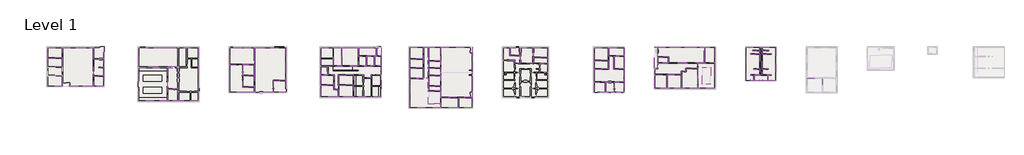
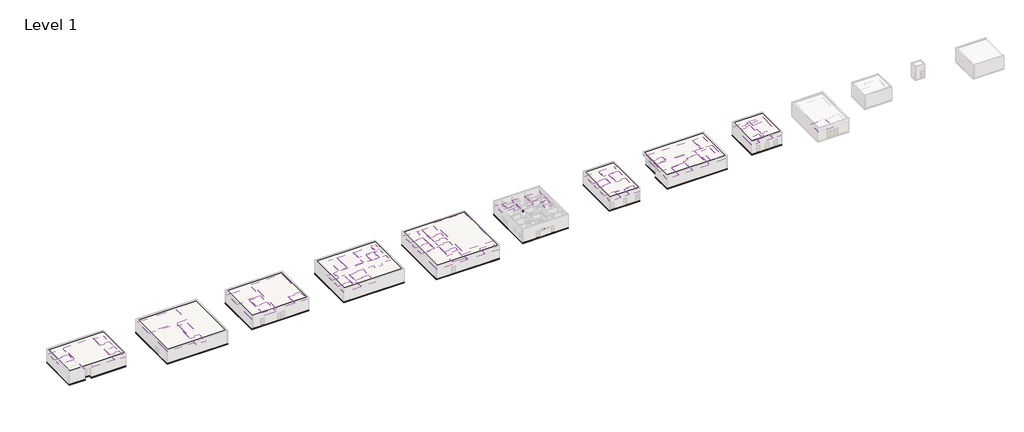
# One storey, part 10 of 51: 71 coverings, 25 slabs.
"""IFC4 building model written with IfcOpenShell, lengths in millimetres."""

import ifcopenshell
import ifcopenshell.guid

model = None  # the IFC model being written
_history = None  # IfcOwnerHistory: only IFC2X3 demands one
_inside = {}  # id of a spatial element -> (the spatial element, [elements in it])
_under = {}  # id of a project, library or spatial element -> (it, [spatial elements below it])
_declared = {}  # id of a project -> (the project, [libraries it declares])
_typed = {}  # id of a type object -> (the type object, [elements of that type])
_made_of = {}  # id of a material, layer set ... -> (it, [elements and type objects made of it])


def new_model(schema):
    """Start an empty IFC model of exactly this schema.

    Asked for "IFC4X3", IfcOpenShell would pick the latest addendum, in which some entities
    have other attributes; the version numbers below select the first issue.
    IFC2X3 requires an IfcOwnerHistory on every rooted entity: one is made here for all.
    """
    global model, _history
    if schema == "IFC4X3":
        model = ifcopenshell.file(schema_version=(4, 3, 0, 0))
    else:
        model = ifcopenshell.file(schema=schema)
    _inside.clear()
    _under.clear()
    _declared.clear()
    _typed.clear()
    _made_of.clear()
    _history = None
    if model.schema == "IFC2X3":
        org = make("IfcOrganization", Name="unknown")
        user = make(
            "IfcPersonAndOrganization",
            ThePerson=make("IfcPerson", FamilyName="unknown"),
            TheOrganization=org,
        )
        app = make(
            "IfcApplication",
            ApplicationDeveloper=org,
            Version="unknown",
            ApplicationFullName="unknown",
            ApplicationIdentifier="unknown",
        )
        _history = make(
            "IfcOwnerHistory",
            OwningUser=user,
            OwningApplication=app,
            ChangeAction="ADDED",
            CreationDate=0,
        )
    return model


def make(cls, **values):
    """One entity of the class cls with the attributes given. An attribute that is None is left unset."""
    return model.create_entity(
        cls, **{name: value for name, value in values.items() if value is not None}
    )


def rooted(cls, **values):
    """An entity with a GlobalId (a new one), such as an element, a storey or a relation."""
    return make(cls, GlobalId=ifcopenshell.guid.new(), OwnerHistory=_history, **values)


def si_unit(unit_type, name, prefix=None):
    """IfcSIUnit, for example si_unit("LENGTHUNIT", "METRE", prefix="MILLI")."""
    return make("IfcSIUnit", UnitType=unit_type, Prefix=prefix, Name=name)


def assignment(units):
    """IfcUnitAssignment: the units of a project."""
    return None if units is None else make("IfcUnitAssignment", Units=units)


def point(xyz):
    """IfcCartesianPoint."""
    return None if xyz is None else make("IfcCartesianPoint", Coordinates=xyz)


def direction(xyz):
    """IfcDirection."""
    return None if xyz is None else make("IfcDirection", DirectionRatios=xyz)


def frame(location, z_axis=None, x_axis=None):
    """IfcAxis2Placement3D, a coordinate frame: its origin and axes. An axis left out is left unset."""
    return make(
        "IfcAxis2Placement3D",
        Location=point(location),
        Axis=direction(z_axis),
        RefDirection=direction(x_axis),
    )


def origin():
    """The frame at (0, 0, 0) with its axes left unset."""
    return frame((0.0, 0.0, 0.0))


def origin_with_axes():
    """The frame at (0, 0, 0) with the z axis (0, 0, 1) and the x axis (1, 0, 0) written out."""
    return frame((0.0, 0.0, 0.0), z_axis=(0.0, 0.0, 1.0), x_axis=(1.0, 0.0, 0.0))


def place(relative_to, where):
    """IfcLocalPlacement: puts the frame where relative to a parent placement (None: the world)."""
    return make(
        "IfcLocalPlacement", PlacementRelTo=relative_to, RelativePlacement=where
    )


def context(
    kind, dimensions, precision=None, world=None, true_north=None, identifier=None
):
    """IfcGeometricRepresentationContext, for example the 3D "Model" context."""
    return make(
        "IfcGeometricRepresentationContext",
        ContextIdentifier=identifier,
        ContextType=kind,
        CoordinateSpaceDimension=dimensions,
        Precision=precision,
        WorldCoordinateSystem=world,
        TrueNorth=true_north,
    )


def project(units=None, contexts=None):
    """IfcProject with its units and contexts."""
    return rooted(
        "IfcProject",
        Name="project",
        RepresentationContexts=contexts,
        UnitsInContext=assignment(units),
    )


def spatial(cls, under=None, at=None, **own):
    """A site, building, storey or space (cls), placed at a placement, below another one or the project."""
    s = rooted(cls, ObjectPlacement=at, **own)
    if under is not None:
        _under.setdefault(under.id(), (under, []))[1].append(s)
    return s


def polyline(points):
    """IfcPolyline through the points."""
    return make("IfcPolyline", Points=[point(p) for p in points])


def outline(outer, holes=None, kind="AREA"):
    """IfcArbitraryClosedProfileDef: a profile drawn as a closed curve; with holes, ...WithVoids."""
    if holes is None:
        return make("IfcArbitraryClosedProfileDef", ProfileType=kind, OuterCurve=outer)
    return make(
        "IfcArbitraryProfileDefWithVoids",
        ProfileType=kind,
        OuterCurve=outer,
        InnerCurves=holes,
    )


def extrude(swept, where, along, depth):
    """IfcExtrudedAreaSolid: the profile swept, set in the frame where, extruded along a direction by depth."""
    return make(
        "IfcExtrudedAreaSolid",
        SweptArea=swept,
        Position=where,
        ExtrudedDirection=direction(along),
        Depth=depth,
    )


def shape(context_of_items, identifier, shape_type, items):
    """IfcShapeRepresentation: the items that make up one representation, for example the "Body"."""
    return make(
        "IfcShapeRepresentation",
        ContextOfItems=context_of_items,
        RepresentationIdentifier=identifier,
        RepresentationType=shape_type,
        Items=items,
    )


def made_of(thing, what):
    """Note that an element or type object is made of a material, layer set ...; save() writes the relation."""
    if what is not None:
        _made_of.setdefault(what.id(), (what, []))[1].append(thing)
    return thing


def element(
    cls,
    number,
    at=None,
    inside=None,
    cuts=None,
    type_object=None,
    material=None,
    context=None,
    identifier="Body",
    shape_type=None,
    held_by="IfcProductDefinitionShape",
    body=None,
    shapes=None,
    **own,
):
    """One element of the class cls, such as IfcWall. Its Tag is "e" and its number.

    at: its placement. inside: the storey or other place that contains it. cuts: it is an
    opening in that element (IfcRelVoidsElement). A single representation is given by context,
    identifier, shape_type and body (its items); several are given by shapes. held_by: the class
    of the entity that holds the representations. save() writes the other relations.
    """
    e = rooted(cls, Tag="e%d" % number, ObjectPlacement=at, **own)
    if body is not None:
        shapes = [shape(context, identifier, shape_type, body)]
    if shapes is not None:
        e.Representation = make(held_by, Representations=shapes)
    if inside is not None:
        _inside.setdefault(inside.id(), (inside, []))[1].append(e)
    if cuts is not None:
        rooted(
            "IfcRelVoidsElement", RelatingBuildingElement=cuts, RelatedOpeningElement=e
        )
    if type_object is not None:
        _typed.setdefault(type_object.id(), (type_object, []))[1].append(e)
    return made_of(e, material)


def aggregate(whole, parts):
    """IfcRelAggregates: a whole, such as a stair, and the parts it consists of."""
    return rooted("IfcRelAggregates", RelatingObject=whole, RelatedObjects=parts)


def save(model, path):
    """Write the relations noted so far, then the file.

    IfcRelAggregates (storeys below a building ...), IfcRelContainedInSpatialStructure (elements
    in a storey), IfcRelDefinesByType, IfcRelAssociatesMaterial and IfcRelDeclares: one each for
    every whole, place, type object, material and project.
    """
    for whole, parts in _under.values():
        aggregate(whole, parts)
    for where, things in _inside.values():
        rooted(
            "IfcRelContainedInSpatialStructure",
            RelatedElements=things,
            RelatingStructure=where,
        )
    for kind, things in _typed.values():
        rooted("IfcRelDefinesByType", RelatedObjects=things, RelatingType=kind)
    for what, things in _made_of.values():
        rooted("IfcRelAssociatesMaterial", RelatedObjects=things, RelatingMaterial=what)
    for by, libraries in _declared.values():
        rooted("IfcRelDeclares", RelatingContext=by, RelatedDefinitions=libraries)
    model.write(path)


model = new_model("IFC4")

# Units and contexts
model_context = context("Model", 3, world=origin())
ifc_project = project(units=[si_unit("LENGTHUNIT", "METRE", prefix="MILLI")], contexts=[model_context])

# Site, building, storey
site = spatial("IfcSite", under=ifc_project)
building = spatial("IfcBuilding", under=site)
storey = spatial("IfcBuildingStorey", under=building, Name="Level 1", Elevation=0.0)

# Coverings
placement = place(None, origin())
element("IfcCovering", 1, ObjectType="5/8\" GWB on Mtl. Stud", at=placement, inside=storey, context=model_context, shape_type="SweptSolid", body=[
    extrude(outline(polyline([(-2289.075187, -15032.6551669), (-14080.646516, -15032.6551669), (-14080.646516, -9231.9301669), (-2289.075187, -9231.9301669), (-2289.075187, -15032.6551669)])), frame((0.0, 0.0, 3505.2), z_axis=(0.0, 0.0, 1.0), x_axis=(1.0, 0.0, 0.0)), (0.0, 0.0, 1.0), 107.95),
])
element("IfcCovering", 2, ObjectType="5/8\" GWB on Mtl. Stud", at=placement, inside=storey, context=model_context, shape_type="SweptSolid", body=[
    extrude(outline(polyline([(-5546.246516, -25233.9301669), (-14080.646516, -25233.9301669), (-14080.646516, -15226.3301669), (-5546.246516, -15226.3301669), (-5546.246516, -25233.9301669)])), frame((0.0, 0.0, 3505.2), z_axis=(0.0, 0.0, 1.0), x_axis=(1.0, 0.0, 0.0)), (0.0, 0.0, 1.0), 107.95),
])
element("IfcCovering", 3, ObjectType="5/8\" GWB on Mtl. Stud", at=placement, inside=storey, context=model_context, shape_type="SweptSolid", body=[
    extrude(outline(polyline([(-2289.075187, -15226.3301669), (-2289.075187, -21622.3676669), (-5352.571516, -21622.3676669), (-5352.571516, -15226.3301669), (-2289.075187, -15226.3301669)])), frame((0.0, 0.0, 2743.2), z_axis=(0.0, 0.0, 1.0), x_axis=(1.0, 0.0, 0.0)), (0.0, 0.0, 1.0), 107.95),
])
element("IfcCovering", 4, ObjectType="5/8\" GWB on Mtl. Stud", at=placement, inside=storey, context=model_context, shape_type="SweptSolid", body=[
    extrude(outline(polyline([(-2289.075187, -25233.9301669), (-5352.571516, -25233.9301669), (-5352.571516, -21816.0426669), (-2289.075187, -21816.0426669), (-2289.075187, -25233.9301669)])), frame((0.0, 0.0, 2743.2), z_axis=(0.0, 0.0, 1.0), x_axis=(1.0, 0.0, 0.0)), (0.0, 0.0, 1.0), 107.95),
])
element("IfcCovering", 5, ObjectType="5/8\" GWB on Mtl. Stud", at=placement, inside=storey, context=model_context, shape_type="SweptSolid", body=[
    extrude(outline(polyline([(159350.553484, -13927.7551669), (159350.553484, -21423.9301669), (154267.378484, -21423.9301669), (154267.378484, -13927.7551669), (159350.553484, -13927.7551669)]), holes=[polyline([(158007.528484, -20080.9051669), (158007.528484, -15270.7801669), (155610.403484, -15270.7801669), (155610.403484, -20080.9051669), (158007.528484, -20080.9051669)])]), frame((0.0, 0.0, 3048.0), z_axis=(0.0, 0.0, 1.0), x_axis=(1.0, 0.0, 0.0)), (0.0, 0.0, 1.0), 107.95),
])
element("IfcCovering", 6, ObjectType="SFO 2'x2\" Ceiling Tile", at=placement, inside=storey, context=model_context, shape_type="SweptSolid", body=[
    extrude(outline(polyline([(-41512.646516, -14950.1051669), (-41512.646516, -12457.7301669), (-37016.846516, -12457.7301669), (-37016.846516, -14950.1051669), (-41512.646516, -14950.1051669)])), frame((0.0, 0.0, 2743.2), z_axis=(0.0, 0.0, 1.0), x_axis=(1.0, 0.0, 0.0)), (0.0, 0.0, 1.0), 57.15),
])
element("IfcCovering", 7, ObjectType="SFO 2'x2\" Ceiling Tile", at=placement, inside=storey, context=model_context, shape_type="SweptSolid", body=[
    extrude(outline(polyline([(-27771.246516, -20814.3301669), (-36893.021516, -20814.3301669), (-36893.021516, -9231.9301669), (-27771.246516, -9231.9301669), (-27771.246516, -20814.3301669)])), frame((0.0, 0.0, 3048.0), z_axis=(0.0, 0.0, 1.0), x_axis=(1.0, 0.0, 0.0)), (0.0, 0.0, 1.0), 57.15),
])
element("IfcCovering", 8, ObjectType="SFO 2'x2\" Ceiling Tile", at=placement, inside=storey, context=model_context, shape_type="SweptSolid", body=[
    extrude(outline(polyline([(-27647.421516, -12624.4176669), (-27647.421516, -9231.9301669), (-24599.421516, -9231.9301669), (-24599.421516, -12624.4176669), (-27647.421516, -12624.4176669)])), frame((0.0, 0.0, 2743.2), z_axis=(0.0, 0.0, 1.0), x_axis=(1.0, 0.0, 0.0)), (0.0, 0.0, 1.0), 57.15),
])
element("IfcCovering", 9, ObjectType="SFO 2'x2\" Ceiling Tile", at=placement, inside=storey, context=model_context, shape_type="SweptSolid", body=[
    extrude(outline(polyline([(13351.353484, -9231.9301669), (20757.040984, -9231.9301669), (20757.040984, -14245.2551669), (13351.353484, -14245.2551669), (13351.353484, -9231.9301669)])), frame((0.0, 0.0, 2743.2), z_axis=(0.0, 0.0, 1.0), x_axis=(1.0, 0.0, 0.0)), (0.0, 0.0, 1.0), 57.15),
])
element("IfcCovering", 10, ObjectType="SFO 2'x2\" Ceiling Tile", at=placement, inside=storey, context=model_context, shape_type="SweptSolid", body=[
    extrude(outline(polyline([(20880.865984, -22733.6176669), (20880.865984, -9231.9301669), (30229.653484, -9231.9301669), (30229.653484, -19045.1748098), (26368.853484, -19045.1748098), (26368.853484, -22733.6176669), (20880.865984, -22733.6176669)])), frame((0.0, 0.0, 3505.2), z_axis=(0.0, 0.0, 1.0), x_axis=(1.0, 0.0, 0.0)), (0.0, 0.0, 1.0), 57.15),
])
element("IfcCovering", 11, ObjectType="SFO 2'x2\" Ceiling Tile", at=placement, inside=storey, context=model_context, shape_type="SweptSolid", body=[
    extrude(outline(polyline([(17299.465984, -14369.0801669), (20757.040984, -14369.0801669), (20757.040984, -17598.0551669), (17299.465984, -17598.0551669), (17299.465984, -14369.0801669)])), frame((0.0, 0.0, 2743.2), z_axis=(0.0, 0.0, 1.0), x_axis=(1.0, 0.0, 0.0)), (0.0, 0.0, 1.0), 57.15),
])
element("IfcCovering", 12, ObjectType="SFO 2'x2\" Ceiling Tile", at=placement, inside=storey, context=model_context, shape_type="SweptSolid", body=[
    extrude(outline(polyline([(13351.353484, -22733.6176669), (13351.353484, -14369.0801669), (17175.640984, -14369.0801669), (17175.640984, -21079.4426669), (20757.040984, -21079.4426669), (20757.040984, -22733.6176669), (13351.353484, -22733.6176669)])), frame((0.0, 0.0, 2743.2), z_axis=(0.0, 0.0, 1.0), x_axis=(1.0, 0.0, 0.0)), (0.0, 0.0, 1.0), 57.15),
])
element("IfcCovering", 13, ObjectType="SFO 2'x2\" Ceiling Tile", at=placement, inside=storey, context=model_context, shape_type="SweptSolid", body=[
    extrude(outline(polyline([(67441.2021392, -18550.5551669), (73117.553484, -18550.5551669), (73117.553484, -26061.0176669), (76775.153484, -26061.0176669), (76775.153484, -27305.6176669), (67441.2021392, -27305.6176669), (67441.2021392, -18550.5551669)])), frame((0.0, 0.0, 2743.2), z_axis=(0.0, 0.0, 1.0), x_axis=(1.0, 0.0, 0.0)), (0.0, 0.0, 1.0), 57.15),
])
element("IfcCovering", 14, ObjectType="SFO 2'x2\" Ceiling Tile", at=placement, inside=storey, context=model_context, shape_type="SweptSolid", body=[
    extrude(outline(polyline([(67441.2021392, -15356.5051669), (67441.2021392, -12686.3301669), (71618.953484, -12686.3301669), (71618.953484, -15356.5051669), (67441.2021392, -15356.5051669)])), frame((0.0, 0.0, 2743.2), z_axis=(0.0, 0.0, 1.0), x_axis=(1.0, 0.0, 0.0)), (0.0, 0.0, 1.0), 57.15),
])
element("IfcCovering", 15, ObjectType="SFO 2'x2\" Ceiling Tile", at=placement, inside=storey, context=model_context, shape_type="SweptSolid", body=[
    extrude(outline(polyline([(67441.2021392, -18490.6510436), (67441.2021392, -15480.3301669), (71618.953484, -15480.3301669), (71618.953484, -18490.6510436), (67441.2021392, -18490.6510436)])), frame((0.0, 0.0, 2743.2), z_axis=(0.0, 0.0, 1.0), x_axis=(1.0, 0.0, 0.0)), (0.0, 0.0, 1.0), 57.15),
])
element("IfcCovering", 16, ObjectType="SFO 2'x2\" Ceiling Tile", at=placement, inside=storey, context=model_context, shape_type="SweptSolid", body=[
    extrude(outline(polyline([(76775.153484, -17639.3301669), (76775.153484, -20715.9051669), (73241.378484, -20715.9051669), (73241.378484, -17639.3301669), (76775.153484, -17639.3301669)])), frame((0.0, 0.0, 2743.2), z_axis=(0.0, 0.0, 1.0), x_axis=(1.0, 0.0, 0.0)), (0.0, 0.0, 1.0), 57.15),
])
element("IfcCovering", 17, ObjectType="SFO 2'x2\" Ceiling Tile", at=placement, inside=storey, context=model_context, shape_type="SweptSolid", body=[
    extrude(outline(polyline([(76775.153484, -15480.3301669), (76775.153484, -17515.5051669), (73241.378484, -17515.5051669), (73241.378484, -15480.3301669), (76775.153484, -15480.3301669)])), frame((0.0, 0.0, 2743.2), z_axis=(0.0, 0.0, 1.0), x_axis=(1.0, 0.0, 0.0)), (0.0, 0.0, 1.0), 57.15),
])
element("IfcCovering", 18, ObjectType="SFO 2'x2\" Ceiling Tile", at=placement, inside=storey, context=model_context, shape_type="SweptSolid", body=[
    extrude(outline(polyline([(76775.153484, -13321.3301669), (76775.153484, -15356.5051669), (73241.378484, -15356.5051669), (73241.378484, -13321.3301669), (76775.153484, -13321.3301669)])), frame((0.0, 0.0, 2743.2), z_axis=(0.0, 0.0, 1.0), x_axis=(1.0, 0.0, 0.0)), (0.0, 0.0, 1.0), 57.15),
])
element("IfcCovering", 19, ObjectType="SFO 2'x2\" Ceiling Tile", at=placement, inside=storey, context=model_context, shape_type="SweptSolid", body=[
    extrude(outline(polyline([(73241.378484, -9141.4426669), (76775.153484, -9141.4426669), (76775.153484, -13197.5051669), (73241.378484, -13197.5051669), (73241.378484, -9141.4426669)])), frame((0.0, 0.0, 2743.2), z_axis=(0.0, 0.0, 1.0), x_axis=(1.0, 0.0, 0.0)), (0.0, 0.0, 1.0), 57.15),
])
element("IfcCovering", 20, ObjectType="SFO 2'x2\" Ceiling Tile", at=placement, inside=storey, context=model_context, shape_type="SweptSolid", body=[
    extrude(outline(polyline([(67441.2021392, -9141.4426669), (71618.953484, -9141.4426669), (71618.953484, -12562.5051669), (67441.2021392, -12562.5051669), (67441.2021392, -9141.4426669)])), frame((0.0, 0.0, 2743.2), z_axis=(0.0, 0.0, 1.0), x_axis=(1.0, 0.0, 0.0)), (0.0, 0.0, 1.0), 57.15),
])
element("IfcCovering", 21, ObjectType="SFO 2'x2\" Ceiling Tile", at=placement, inside=storey, context=model_context, shape_type="SweptSolid", body=[
    extrude(outline(polyline([(76898.978484, -24221.1051669), (76898.978484, -9141.4426669), (86289.040984, -9141.4426669), (86289.040984, -24221.1051669), (76898.978484, -24221.1051669)])), frame((0.0, 0.0, 3657.6), z_axis=(0.0, 0.0, 1.0), x_axis=(1.0, 0.0, 0.0)), (0.0, 0.0, 1.0), 57.15),
])
element("IfcCovering", 22, ObjectType="SFO 2'x2\" Ceiling Tile", at=placement, inside=storey, context=model_context, shape_type="SweptSolid", body=[
    extrude(outline(polyline([(86289.040984, -27305.6176669), (82196.465984, -27305.6176669), (82196.465984, -24344.9301669), (86289.040984, -24344.9301669), (86289.040984, -27305.6176669)])), frame((0.0, 0.0, 2743.2), z_axis=(0.0, 0.0, 1.0), x_axis=(1.0, 0.0, 0.0)), (0.0, 0.0, 1.0), 57.15),
])
element("IfcCovering", 23, ObjectType="SFO 2'x2\" Ceiling Tile", at=placement, inside=storey, context=model_context, shape_type="SweptSolid", body=[
    extrude(outline(polyline([(82072.640984, -27305.6176669), (76898.978484, -27305.6176669), (76898.978484, -24344.9301669), (82072.640984, -24344.9301669), (82072.640984, -27305.6176669)])), frame((0.0, 0.0, 2743.2), z_axis=(0.0, 0.0, 1.0), x_axis=(1.0, 0.0, 0.0)), (0.0, 0.0, 1.0), 57.15),
])
element("IfcCovering", 24, ObjectType="SFO 2'x2\" Ceiling Tile", at=placement, inside=storey, context=model_context, shape_type="SweptSolid", body=[
    extrude(outline(polyline([(187087.353484, -22733.6176669), (187087.353484, -18398.1551669), (191687.928484, -18398.1551669), (191687.928484, -22733.6176669), (187087.353484, -22733.6176669)])), frame((0.0, 0.0, 2743.2), z_axis=(0.0, 0.0, 1.0), x_axis=(1.0, 0.0, 0.0)), (0.0, 0.0, 1.0), 57.15),
])
element("IfcCovering", 25, ObjectType="SFO 2'x2\" Ceiling Tile", at=placement, inside=storey, context=model_context, shape_type="SweptSolid", body=[
    extrude(outline(polyline([(-41512.646516, -12333.9051669), (-41512.646516, -9231.9301669), (-37016.846516, -9231.9301669), (-37016.846516, -12333.9051669), (-41512.646516, -12333.9051669)])), frame((0.0, 0.0, 2743.2), z_axis=(0.0, 0.0, 1.0), x_axis=(1.0, 0.0, 0.0)), (0.0, 0.0, 1.0), 57.15),
])
element("IfcCovering", 26, ObjectType="SFO 2'x2\" Ceiling Tile", at=placement, inside=storey, context=model_context, shape_type="SweptSolid", body=[
    extrude(outline(polyline([(71742.778484, -9141.4426669), (73117.553484, -9141.4426669), (73117.553484, -18426.7301669), (71742.778484, -18426.7301669), (71742.778484, -9141.4426669)])), frame((0.0, 0.0, 2743.2), z_axis=(0.0, 0.0, 1.0), x_axis=(1.0, 0.0, 0.0)), (0.0, 0.0, 1.0), 57.15),
])
element("IfcCovering", 27, ObjectType="SFO 2'x2\" Ceiling Tile", at=placement, inside=storey, context=model_context, shape_type="SweptSolid", body=[
    extrude(outline(polyline([(30229.653484, -19168.9998098), (30229.653484, -22733.6176669), (26492.678484, -22733.6176669), (26492.678484, -19168.9998098), (30229.653484, -19168.9998098)])), frame((0.0, 0.0, 3505.2), z_axis=(0.0, 0.0, 1.0), x_axis=(1.0, 0.0, 0.0)), (0.0, 0.0, 1.0), 57.15),
])
element("IfcCovering", 28, ObjectType="SFO 2'x2\" Ceiling Tile", at=placement, inside=storey, context=model_context, shape_type="SweptSolid", body=[
    extrude(outline(polyline([(20757.040984, -17721.8801669), (20757.040984, -20955.6176669), (17299.465984, -20955.6176669), (17299.465984, -17721.8801669), (20757.040984, -17721.8801669)])), frame((0.0, 0.0, 2743.2), z_axis=(0.0, 0.0, 1.0), x_axis=(1.0, 0.0, 0.0)), (0.0, 0.0, 1.0), 57.15),
])
element("IfcCovering", 29, ObjectType="SFO 2'x2\" Ceiling Tile", at=placement, inside=storey, context=model_context, shape_type="SweptSolid", body=[
    extrude(outline(polyline([(76775.153484, -20839.7301669), (76775.153484, -22276.4176669), (73241.378484, -22276.4176669), (73241.378484, -20839.7301669), (76775.153484, -20839.7301669)])), frame((0.0, 0.0, 2743.2), z_axis=(0.0, 0.0, 1.0), x_axis=(1.0, 0.0, 0.0)), (0.0, 0.0, 1.0), 57.15),
])
element("IfcCovering", 30, ObjectType="SFO 2'x2\" Ceiling Tile", at=placement, inside=storey, context=model_context, shape_type="SweptSolid", body=[
    extrude(outline(polyline([(123079.353484, -19533.2176669), (123079.353484, -15666.1105846), (127433.865984, -15666.1105846), (127433.865984, -11802.0926669), (128899.128484, -11802.0926669), (128899.128484, -15666.1105846), (132009.040984, -15666.1105846), (132009.040984, -19533.2176669), (123079.353484, -19533.2176669)])), frame((0.0, 0.0, 2743.2), z_axis=(0.0, 0.0, 1.0), x_axis=(1.0, 0.0, 0.0)), (0.0, 0.0, 1.0), 57.15),
])
element("IfcCovering", 31, ObjectType="SFO 2'x2\" Ceiling Tile", at=placement, inside=storey, context=model_context, shape_type="SweptSolid", body=[
    extrude(outline(polyline([(154143.553484, -15575.5801669), (154143.553484, -21423.9301669), (149335.015984, -21423.9301669), (149335.015984, -16489.9801669), (150762.178484, -16489.9801669), (150762.178484, -15575.5801669), (154143.553484, -15575.5801669)])), frame((0.0, 0.0, 2743.2), z_axis=(0.0, 0.0, 1.0), x_axis=(1.0, 0.0, 0.0)), (0.0, 0.0, 1.0), 57.15),
])
element("IfcCovering", 32, ObjectType="SFO 2'x2\" Ceiling Tile", at=placement, inside=storey, context=model_context, shape_type="SweptSolid", body=[
    extrude(outline(polyline([(149211.190984, -17348.8176669), (149211.190984, -21423.9301669), (145058.290984, -21423.9301669), (145058.290984, -17348.8176669), (149211.190984, -17348.8176669)])), frame((0.0, 0.0, 2743.2), z_axis=(0.0, 0.0, 1.0), x_axis=(1.0, 0.0, 0.0)), (0.0, 0.0, 1.0), 57.15),
])
element("IfcCovering", 33, ObjectType="SFO 2'x2\" Ceiling Tile", at=placement, inside=storey, context=model_context, shape_type="SweptSolid", body=[
    extrude(outline(polyline([(141276.865984, -21423.9301669), (141276.865984, -17348.8176669), (142028.0353499, -17348.8176669), (144934.465984, -17348.8176669), (144934.465984, -21423.9301669), (141276.865984, -21423.9301669)])), frame((0.0, 0.0, 2743.2), z_axis=(0.0, 0.0, 1.0), x_axis=(1.0, 0.0, 0.0)), (0.0, 0.0, 1.0), 57.15),
])
element("IfcCovering", 34, ObjectType="SFO 2'x2\" Ceiling Tile", at=placement, inside=storey, context=model_context, shape_type="SweptSolid", body=[
    extrude(outline(polyline([(156302.553484, -9141.4426669), (159350.553484, -9141.4426669), (159350.553484, -13803.9301669), (156302.553484, -13803.9301669), (156302.553484, -9141.4426669)])), frame((0.0, 0.0, 2743.2), z_axis=(0.0, 0.0, 1.0), x_axis=(1.0, 0.0, 0.0)), (0.0, 0.0, 1.0), 57.15),
])
element("IfcCovering", 35, ObjectType="SFO 2'x2\" Ceiling Tile", at=placement, inside=storey, context=model_context, shape_type="SweptSolid", body=[
    extrude(outline(polyline([(-27647.421516, -12748.2426669), (-24599.421516, -12748.2426669), (-24599.421516, -15088.2176669), (-26125.009016, -15088.2176669), (-26125.009016, -15212.0426669), (-24599.421516, -15212.0426669), (-24599.421516, -17653.6176669), (-27647.421516, -17653.6176669), (-27647.421516, -12748.2426669)])), frame((0.0, 0.0, 2743.2), z_axis=(0.0, 0.0, 1.0), x_axis=(1.0, 0.0, 0.0)), (0.0, 0.0, 1.0), 57.15),
])
element("IfcCovering", 36, ObjectType="SFO 2'x2\" Ceiling Tile", at=placement, inside=storey, context=model_context, shape_type="SweptSolid", body=[
    extrude(outline(polyline([(-24599.421516, -20814.3301669), (-27647.421516, -20814.3301669), (-27647.421516, -17777.4426669), (-24599.421516, -17777.4426669), (-24599.421516, -20814.3301669)])), frame((0.0, 0.0, 2743.2), z_axis=(0.0, 0.0, 1.0), x_axis=(1.0, 0.0, 0.0)), (0.0, 0.0, 1.0), 57.15),
])
element("IfcCovering", 37, ObjectType="SFO 2'x2\" Ceiling Tile", at=placement, inside=storey, context=model_context, shape_type="SweptSolid", body=[
    extrude(outline(polyline([(46142.753484, -20385.7051669), (46142.753484, -17528.2051669), (50470.278484, -17528.2051669), (50470.278484, -20385.7051669), (46142.753484, -20385.7051669)])), frame((0.0, 0.0, 2743.2), z_axis=(0.0, 0.0, 1.0), x_axis=(1.0, 0.0, 0.0)), (0.0, 0.0, 1.0), 57.15),
])
element("IfcCovering", 38, ObjectType="SFO 2'x2\" Ceiling Tile", at=placement, inside=storey, context=model_context, shape_type="SweptSolid", body=[
    extrude(outline(polyline([(50470.278484, -24040.1301669), (46142.753484, -24040.1301669), (46142.753484, -20509.5301669), (50470.278484, -20509.5301669), (50470.278484, -24040.1301669)])), frame((0.0, 0.0, 2743.2), z_axis=(0.0, 0.0, 1.0), x_axis=(1.0, 0.0, 0.0)), (0.0, 0.0, 1.0), 57.15),
])
element("IfcCovering", 39, ObjectType="SFO 2'x2\" Ceiling Tile", at=placement, inside=storey, context=model_context, shape_type="SweptSolid", body=[
    extrude(outline(polyline([(46018.928484, -24040.1301669), (40783.353484, -24040.1301669), (40783.353484, -20509.5301669), (44672.728484, -20509.5301669), (44672.728484, -21931.9301669), (46018.928484, -21931.9301669), (46018.928484, -24040.1301669)])), frame((0.0, 0.0, 2743.2), z_axis=(0.0, 0.0, 1.0), x_axis=(1.0, 0.0, 0.0)), (0.0, 0.0, 1.0), 57.15),
])
element("IfcCovering", 40, ObjectType="SFO 2'x2\" Ceiling Tile", at=placement, inside=storey, context=model_context, shape_type="SweptSolid", body=[
    extrude(outline(polyline([(40783.353484, -20385.7051669), (40783.353484, -17528.2051669), (44672.728484, -17528.2051669), (44672.728484, -20385.7051669), (40783.353484, -20385.7051669)])), frame((0.0, 0.0, 2743.2), z_axis=(0.0, 0.0, 1.0), x_axis=(1.0, 0.0, 0.0)), (0.0, 0.0, 1.0), 57.15),
])
element("IfcCovering", 41, ObjectType="SFO 2'x2\" Ceiling Tile", at=placement, inside=storey, context=model_context, shape_type="SweptSolid", body=[
    extrude(outline(polyline([(58857.040984, -14842.1551669), (58857.040984, -17404.3801669), (55920.165984, -17404.3801669), (55920.165984, -18319.0620328), (53600.828484, -18319.0620328), (53600.828484, -17404.3801669), (50567.115984, -17404.3801669), (46018.928484, -17404.3801669), (46018.928484, -21808.1051669), (44796.553484, -21808.1051669), (44796.553484, -17404.3801669), (42910.8761686, -17404.3801669), (42910.8761686, -14842.1551669), (45087.065984, -14842.1551669), (53875.465984, -14842.1551669), (58857.040984, -14842.1551669)])), frame((0.0, 0.0, 2895.6), z_axis=(0.0, 0.0, 1.0), x_axis=(1.0, 0.0, 0.0)), (0.0, 0.0, 1.0), 57.15),
])
element("IfcCovering", 42, ObjectType="SFO 2'x2\" Ceiling Tile", at=placement, inside=storey, context=model_context, shape_type="SweptSolid", body=[
    extrude(outline(polyline([(44539.378484, -14718.3301669), (44539.378484, -9231.9301669), (46980.953484, -9231.9301669), (46980.953484, -14718.3301669), (44539.378484, -14718.3301669)])), frame((0.0, 0.0, 2895.6), z_axis=(0.0, 0.0, 1.0), x_axis=(1.0, 0.0, 0.0)), (0.0, 0.0, 1.0), 57.15),
])
element("IfcCovering", 43, ObjectType="SFO 2'x2\" Ceiling Tile", at=placement, inside=storey, context=model_context, shape_type="SweptSolid", body=[
    extrude(outline(polyline([(47104.778484, -14718.3301669), (47104.778484, -9231.9301669), (51984.753484, -9231.9301669), (51984.753484, -14718.3301669), (47104.778484, -14718.3301669)])), frame((0.0, 0.0, 2895.6), z_axis=(0.0, 0.0, 1.0), x_axis=(1.0, 0.0, 0.0)), (0.0, 0.0, 1.0), 57.15),
])
element("IfcCovering", 44, ObjectType="SFO 2'x2\" Ceiling Tile", at=placement, inside=storey, context=model_context, shape_type="SweptSolid", body=[
    extrude(outline(polyline([(52108.578484, -9231.9301669), (57398.128484, -9231.9301669), (57398.128484, -11670.3301669), (52108.578484, -11670.3301669), (52108.578484, -9231.9301669)])), frame((0.0, 0.0, 2743.2), z_axis=(0.0, 0.0, 1.0), x_axis=(1.0, 0.0, 0.0)), (0.0, 0.0, 1.0), 57.15),
])
element("IfcCovering", 45, ObjectType="SFO 2'x2\" Ceiling Tile", at=placement, inside=storey, context=model_context, shape_type="SweptSolid", body=[
    extrude(outline(polyline([(54437.440984, -14718.3301669), (52108.578484, -14718.3301669), (52108.578484, -11794.1551669), (54437.440984, -11794.1551669), (54437.440984, -14718.3301669)])), frame((0.0, 0.0, 2743.2), z_axis=(0.0, 0.0, 1.0), x_axis=(1.0, 0.0, 0.0)), (0.0, 0.0, 1.0), 57.15),
])
element("IfcCovering", 46, ObjectType="SFO 2'x2\" Ceiling Tile", at=placement, inside=storey, context=model_context, shape_type="SweptSolid", body=[
    extrude(outline(polyline([(56890.128484, -11794.1551669), (56890.128484, -14718.3301669), (54561.265984, -14718.3301669), (54561.265984, -11794.1551669), (56890.128484, -11794.1551669)])), frame((0.0, 0.0, 2743.2), z_axis=(0.0, 0.0, 1.0), x_axis=(1.0, 0.0, 0.0)), (0.0, 0.0, 1.0), 57.15),
])
element("IfcCovering", 47, ObjectType="SFO 2'x2\" Ceiling Tile", at=placement, inside=storey, context=model_context, shape_type="SweptSolid", body=[
    extrude(outline(polyline([(40783.353484, -17404.3801669), (40783.353484, -14842.1551669), (42717.2011686, -14842.1551669), (42717.2011686, -17404.3801669), (40783.353484, -17404.3801669)])), frame((0.0, 0.0, 2743.2), z_axis=(0.0, 0.0, 1.0), x_axis=(1.0, 0.0, 0.0)), (0.0, 0.0, 1.0), 57.15),
])
element("IfcCovering", 48, ObjectType="SFO 2'x2\" Ceiling Tile", at=placement, inside=storey, context=model_context, shape_type="SweptSolid", body=[
    extrude(outline(polyline([(149211.190984, -17224.9926669), (141276.865984, -17224.9926669), (141276.865984, -15531.1301669), (142089.9478499, -15531.1301669), (142089.9478499, -13927.7551669), (154143.553484, -13927.7551669), (154143.553484, -15451.7551669), (150638.353484, -15451.7551669), (150638.353484, -16366.1551669), (149211.190984, -16366.1551669), (149211.190984, -17224.9926669)])), frame((0.0, 0.0, 2743.2), z_axis=(0.0, 0.0, 1.0), x_axis=(1.0, 0.0, 0.0)), (0.0, 0.0, 1.0), 57.15),
])
element("IfcCovering", 49, ObjectType="SFO 2'x2\" Ceiling Tile", at=placement, inside=storey, context=model_context, shape_type="SweptSolid", body=[
    extrude(outline(polyline([(142089.9478499, -9141.4426669), (156178.728484, -9141.4426669), (156178.728484, -13803.9301669), (145496.440984, -13803.9301669), (145496.440984, -12025.9301669), (142089.9478499, -12025.9301669), (142089.9478499, -9141.4426669)])), frame((0.0, 0.0, 2743.2), z_axis=(0.0, 0.0, 1.0), x_axis=(1.0, 0.0, 0.0)), (0.0, 0.0, 1.0), 57.15),
])
element("IfcCovering", 50, ObjectType="SFO 2'x2\" Ceiling Tile", at=placement, inside=storey, context=model_context, shape_type="SweptSolid", body=[
    extrude(outline(polyline([(145372.615984, -12149.7551669), (145372.615984, -13803.9301669), (142089.9478499, -13803.9301669), (142089.9478499, -12149.7551669), (145372.615984, -12149.7551669)])), frame((0.0, 0.0, 2743.2), z_axis=(0.0, 0.0, 1.0), x_axis=(1.0, 0.0, 0.0)), (0.0, 0.0, 1.0), 57.15),
])
element("IfcCovering", 51, ObjectType="SFO 2'x2\" Ceiling Tile", at=placement, inside=storey, context=model_context, shape_type="SweptSolid", body=[
    extrude(outline(polyline([(141153.040984, -15407.3051669), (141153.040984, -9017.6176669), (141966.1228499, -9017.6176669), (141966.1228499, -15407.3051669), (141153.040984, -15407.3051669)])), frame((0.0, 0.0, 3048.0), z_axis=(0.0, 0.0, 1.0), x_axis=(1.0, 0.0, 0.0)), (0.0, 0.0, 1.0), 57.15),
])
element("IfcCovering", 52, ObjectType="SFO 2'x2\" Ceiling Tile", at=placement, inside=storey, context=model_context, shape_type="SweptSolid", body=[
    extrude(outline(polyline([(58857.040984, -11794.1551669), (58857.040984, -14718.3301669), (57013.953484, -14718.3301669), (57013.953484, -11794.1551669), (58857.040984, -11794.1551669)])), frame((0.0, 0.0, 2743.2), z_axis=(0.0, 0.0, 1.0), x_axis=(1.0, 0.0, 0.0)), (0.0, 0.0, 1.0), 57.15),
])
element("IfcCovering", 53, ObjectType="SFO 2'x2\" Ceiling Tile", at=placement, inside=storey, context=model_context, shape_type="SweptSolid", body=[
    extrude(outline(polyline([(57521.953484, -9231.9301669), (58857.040984, -9231.9301669), (58857.040984, -11670.3301669), (57521.953484, -11670.3301669), (57521.953484, -9231.9301669)])), frame((0.0, 0.0, 3048.0), z_axis=(0.0, 0.0, 1.0), x_axis=(1.0, 0.0, 0.0)), (0.0, 0.0, 1.0), 57.15),
])
element("IfcCovering", 54, ObjectType="SFO 2'x2\" Ceiling Tile", at=placement, inside=storey, context=model_context, shape_type="SweptSolid", body=[
    extrude(outline(polyline([(127310.040984, -15542.2855846), (123079.353484, -15542.2855846), (123079.353484, -13202.2059151), (127310.040984, -13202.2059151), (127310.040984, -15542.2855846)])), frame((0.0, 0.0, 2743.2), z_axis=(0.0, 0.0, 1.0), x_axis=(1.0, 0.0, 0.0)), (0.0, 0.0, 1.0), 57.15),
])
element("IfcCovering", 55, ObjectType="SFO 2'x2\" Ceiling Tile", at=placement, inside=storey, context=model_context, shape_type="SweptSolid", body=[
    extrude(outline(polyline([(129022.953484, -11802.0926669), (132009.040984, -11802.0926669), (132009.040984, -15542.2855846), (129022.953484, -15542.2855846), (129022.953484, -11802.0926669)])), frame((0.0, 0.0, 2743.2), z_axis=(0.0, 0.0, 1.0), x_axis=(1.0, 0.0, 0.0)), (0.0, 0.0, 1.0), 57.15),
])
element("IfcCovering", 56, ObjectType="SFO 2'x2\" Ceiling Tile", at=placement, inside=storey, context=model_context, shape_type="SweptSolid", body=[
    extrude(outline(polyline([(127433.865984, -9239.8676669), (132009.040984, -9239.8676669), (132009.040984, -11678.2676669), (127433.865984, -11678.2676669), (127433.865984, -9239.8676669)])), frame((0.0, 0.0, 2743.2), z_axis=(0.0, 0.0, 1.0), x_axis=(1.0, 0.0, 0.0)), (0.0, 0.0, 1.0), 57.15),
])
element("IfcCovering", 57, ObjectType="SFO 2'x2\" Ceiling Tile", at=placement, inside=storey, context=model_context, shape_type="SweptSolid", body=[
    extrude(outline(polyline([(123079.353484, -22733.6176669), (123079.353484, -19657.0426669), (126395.640984, -19657.0426669), (126395.640984, -22733.6176669), (123079.353484, -22733.6176669)])), frame((0.0, 0.0, 2743.2), z_axis=(0.0, 0.0, 1.0), x_axis=(1.0, 0.0, 0.0)), (0.0, 0.0, 1.0), 57.15),
])
element("IfcCovering", 58, ObjectType="SFO 2'x2\" Ceiling Tile", at=placement, inside=storey, context=model_context, shape_type="SweptSolid", body=[
    extrude(outline(polyline([(129011.840984, -22733.6176669), (126519.465984, -22733.6176669), (126519.465984, -19657.0426669), (129011.840984, -19657.0426669), (129011.840984, -22733.6176669)])), frame((0.0, 0.0, 2743.2), z_axis=(0.0, 0.0, 1.0), x_axis=(1.0, 0.0, 0.0)), (0.0, 0.0, 1.0), 57.15),
])
element("IfcCovering", 59, ObjectType="SFO 2'x2\" Ceiling Tile", at=placement, inside=storey, context=model_context, shape_type="SweptSolid", body=[
    extrude(outline(polyline([(132009.040984, -22733.6176669), (129135.665984, -22733.6176669), (129135.665984, -19657.0426669), (132009.040984, -19657.0426669), (132009.040984, -22733.6176669)])), frame((0.0, 0.0, 2743.2), z_axis=(0.0, 0.0, 1.0), x_axis=(1.0, 0.0, 0.0)), (0.0, 0.0, 1.0), 57.15),
])
element("IfcCovering", 60, ObjectType="SFO 2'x2\" Ceiling Tile", at=placement, inside=storey, context=model_context, shape_type="SweptSolid", body=[
    extrude(outline(polyline([(123079.353484, -9239.8676669), (127310.040984, -9239.8676669), (127310.040984, -13078.3809151), (123079.353484, -13078.3809151), (123079.353484, -9239.8676669)])), frame((0.0, 0.0, 2743.2), z_axis=(0.0, 0.0, 1.0), x_axis=(1.0, 0.0, 0.0)), (0.0, 0.0, 1.0), 57.15),
])
element("IfcCovering", 61, ObjectType="SFO_Gyp. ceiling", at=placement, inside=storey, context=model_context, shape_type="SweptSolid", body=[
    extrude(outline(polyline([(175177.928484, -17520.457656), (175177.928484, -19137.9301669), (171237.753484, -19137.9301669), (171237.753484, -17520.457656), (175177.928484, -17520.457656)])), frame((0.0, 0.0, 2743.2), z_axis=(0.0, 0.0, 1.0), x_axis=(1.0, 0.0, 0.0)), (0.0, 0.0, 1.0), 57.15),
])
element("IfcCovering", 62, ObjectType="SFO_Gyp. ceiling", at=placement, inside=storey, context=model_context, shape_type="SweptSolid", body=[
    extrude(outline(polyline([(168708.865984, -9141.4426669), (172866.528484, -9141.4426669), (172866.528484, -10059.0176669), (170783.728484, -10059.0176669), (170783.728484, -10182.8426669), (172866.528484, -10182.8426669), (172866.528484, -11097.2426669), (170097.928484, -11097.2426669), (170097.928484, -11221.0676669), (172866.528484, -11221.0676669), (172866.528484, -15562.8801669), (171037.728484, -15562.8801669), (171037.728484, -15686.7051669), (172866.528484, -15686.7051669), (172866.528484, -17396.632656), (170097.928484, -17396.632656), (170097.928484, -17520.457656), (171113.928484, -17520.457656), (171113.928484, -19137.9301669), (168708.865984, -19137.9301669), (168708.865984, -9141.4426669)])), frame((0.0, 0.0, 2743.2), z_axis=(0.0, 0.0, 1.0), x_axis=(1.0, 0.0, 0.0)), (0.0, 0.0, 1.0), 57.15),
])
element("IfcCovering", 63, ObjectType="SFO_Gyp. ceiling", at=placement, inside=storey, context=model_context, shape_type="SweptSolid", body=[
    extrude(outline(polyline([(173571.378484, -10059.0176669), (173571.378484, -9141.4426669), (177729.040984, -9141.4426669), (177729.040984, -19137.9301669), (175301.753484, -19137.9301669), (175301.753484, -17520.457656), (176317.753484, -17520.457656), (176317.753484, -17396.632656), (173571.378484, -17396.632656), (173571.378484, -15686.7051669), (175400.178484, -15686.7051669), (175400.178484, -15562.8801669), (173571.378484, -15562.8801669), (173571.378484, -11224.2426669), (176317.753484, -11224.2426669), (176317.753484, -11100.4176669), (173571.378484, -11100.4176669), (173571.378484, -10182.8426669), (175631.953484, -10182.8426669), (175631.953484, -10059.0176669), (173571.378484, -10059.0176669)])), frame((0.0, 0.0, 2743.2), z_axis=(0.0, 0.0, 1.0), x_axis=(1.0, 0.0, 0.0)), (0.0, 0.0, 1.0), 57.15),
])
element("IfcCovering", 64, ObjectType="SFO_Gyp. ceiling", at=placement, inside=storey, context=model_context, shape_type="SweptSolid", body=[
    extrude(outline(polyline([(76775.153484, -26061.0176669), (73117.553484, -26061.0176669), (73117.553484, -22400.2426669), (76775.153484, -22400.2426669), (76775.153484, -26061.0176669)])), frame((0.0, 0.0, 2438.4), z_axis=(0.0, 0.0, 1.0), x_axis=(1.0, 0.0, 0.0)), (0.0, 0.0, 1.0), 57.15),
])
element("IfcCovering", 65, ObjectType="SFO_Gyp. ceiling", at=placement, inside=storey, context=model_context, shape_type="SweptSolid", body=[
    extrude(outline(polyline([(158131.353484, -20204.7301669), (155486.578484, -20204.7301669), (155486.578484, -15146.9551669), (158131.353484, -15146.9551669), (158131.353484, -20204.7301669)])), frame((0.0, 0.0, 3200.4), z_axis=(0.0, 0.0, 1.0), x_axis=(1.0, 0.0, 0.0)), (0.0, 0.0, 1.0), 57.15),
])
element("IfcCovering", 66, ObjectType="SFO_Secured Gypsum Ceiling", at=placement, inside=storey, context=model_context, shape_type="SweptSolid", body=[
    extrude(outline(polyline([(95647.353484, -12933.0342553), (95647.353484, -9322.4605846), (97582.515984, -9322.4605846), (97582.515984, -11713.8342553), (100671.790984, -11713.8342553), (100671.790984, -13864.2980846), (99147.790984, -13864.2980846), (99147.790984, -12933.0342553), (95647.353484, -12933.0342553)])), frame((0.0, 0.0, 2743.2), z_axis=(0.0, 0.0, 1.0), x_axis=(1.0, 0.0, 0.0)), (0.0, 0.0, 1.0), 57.15),
])
element("IfcCovering", 67, ObjectType="SFO_Secured Gypsum Ceiling", at=placement, inside=storey, context=model_context, shape_type="SweptSolid", body=[
    extrude(outline(polyline([(97776.190984, -9322.4605846), (100671.790984, -9322.4605846), (100671.790984, -11520.1592553), (97776.190984, -11520.1592553), (97776.190984, -9322.4605846)])), frame((0.0, 0.0, 2743.2), z_axis=(0.0, 0.0, 1.0), x_axis=(1.0, 0.0, 0.0)), (0.0, 0.0, 1.0), 57.15),
])
element("IfcCovering", 68, ObjectType="SFO_Secured Gypsum Ceiling", at=placement, inside=storey, context=model_context, shape_type="SweptSolid", body=[
    extrude(outline(polyline([(100865.465984, -13864.2980846), (100865.465984, -9322.4605846), (104585.5803646, -9322.4605846), (104585.5803646, -13864.2980846), (100865.465984, -13864.2980846)])), frame((0.0, 0.0, 2743.2), z_axis=(0.0, 0.0, 1.0), x_axis=(1.0, 0.0, 0.0)), (0.0, 0.0, 1.0), 57.15),
])
element("IfcCovering", 69, ObjectType="SFO_Secured Gypsum Ceiling", at=placement, inside=storey, context=model_context, shape_type="SweptSolid", body=[
    extrude(outline(polyline([(104779.2553646, -9322.4605846), (109050.615984, -9322.4605846), (109050.615984, -12092.5434151), (104779.2553646, -12092.5434151), (104779.2553646, -9322.4605846)])), frame((0.0, 0.0, 2743.2), z_axis=(0.0, 0.0, 1.0), x_axis=(1.0, 0.0, 0.0)), (0.0, 0.0, 1.0), 57.15),
])
element("IfcCovering", 70, ObjectType="SFO_Secured Gypsum Ceiling", at=placement, inside=storey, context=model_context, shape_type="SweptSolid", body=[
    extrude(outline(polyline([(109050.615984, -12286.2184151), (109050.615984, -13864.2980846), (104779.2553646, -13864.2980846), (104779.2553646, -12286.2184151), (109050.615984, -12286.2184151)])), frame((0.0, 0.0, 2743.2), z_axis=(0.0, 0.0, 1.0), x_axis=(1.0, 0.0, 0.0)), (0.0, 0.0, 1.0), 57.15),
])
element("IfcCovering", 71, ObjectType="SFO_Secured Gypsum Ceiling", at=placement, inside=storey, context=model_context, shape_type="SweptSolid", body=[
    extrude(outline(polyline([(109050.615984, -14057.9730846), (109050.615984, -16650.3605846), (106755.090984, -16650.3605846), (106755.090984, -14057.9730846), (109050.615984, -14057.9730846)])), frame((0.0, 0.0, 2743.2), z_axis=(0.0, 0.0, 1.0), x_axis=(1.0, 0.0, 0.0)), (0.0, 0.0, 1.0), 57.15),
])

# Slabs
element("IfcSlab", 72, at=placement, inside=storey, context=model_context, shape_type="SweptSolid", body=[
    extrude(outline(polyline([(50663.953484, -20915.9301669), (51273.553484, -20915.9301669), (51273.553484, -24040.1301669), (50663.953484, -24040.1301669), (50663.953484, -20915.9301669)])), origin_with_axes(), (0.0, 0.0, 1.0), 508.0),
])
element("IfcSlab", 73, at=placement, inside=storey, context=model_context, shape_type="SweptSolid", body=[
    extrude(outline(polyline([(50663.953484, -17598.0551669), (51273.553484, -17598.0551669), (51273.553484, -20722.2551669), (50663.953484, -20722.2551669), (50663.953484, -17598.0551669)])), origin_with_axes(), (0.0, 0.0, 1.0), 508.0),
])
element("IfcSlab", 74, at=placement, inside=storey, context=model_context, shape_type="SweptSolid", body=[
    extrude(outline(polyline([(58247.440984, -20915.9301669), (58787.190984, -20915.9301669), (58787.190984, -24040.1301669), (58247.440984, -24040.1301669), (58247.440984, -20915.9301669)])), origin_with_axes(), (0.0, 0.0, 1.0), 508.0),
])
element("IfcSlab", 75, ObjectType="SFO Generic 12\"", at=placement, inside=storey, context=model_context, shape_type="SweptSolid", body=[
    extrude(outline(polyline([(132132.865984, -8935.0676669), (132132.865984, -22857.4426669), (122774.553484, -22857.4426669), (122774.553484, -8935.0676669), (132132.865984, -8935.0676669)])), frame((0.0, 0.0, -304.8), z_axis=(0.0, 0.0, 1.0), x_axis=(1.0, 0.0, 0.0)), (0.0, 0.0, 1.0), 304.8),
])
element("IfcSlab", 76, ObjectType="SFO Generic 12\"", at=placement, inside=storey, context=model_context, shape_type="SweptSolid", body=[
    extrude(outline(polyline([(168585.040984, -9017.6176669), (177852.865984, -9017.6176669), (177852.865984, -19261.7551669), (168585.040984, -19261.7551669), (168585.040984, -9017.6176669)])), frame((0.0, 0.0, -304.8), z_axis=(0.0, 0.0, 1.0), x_axis=(1.0, 0.0, 0.0)), (0.0, 0.0, 1.0), 304.8),
])
element("IfcSlab", 77, ObjectType="SFO Generic 12\"", at=placement, inside=storey, context=model_context, shape_type="SweptSolid", body=[
    extrude(outline(polyline([(58980.865984, -8927.1301669), (58980.865984, -24344.9301669), (40478.553484, -24344.9301669), (40478.553484, -8927.1301669), (58980.865984, -8927.1301669)])), frame((0.0, 0.0, -304.8), z_axis=(0.0, 0.0, 1.0), x_axis=(1.0, 0.0, 0.0)), (0.0, 0.0, 1.0), 304.8),
])
element("IfcSlab", 78, ObjectType="SFO Generic 12\"", at=placement, inside=storey, context=model_context, shape_type="SweptSolid", body=[
    extrude(outline(polyline([(-24475.596516, -8927.1301669), (-24475.596516, -20938.1551669), (-35018.1905424, -20938.1551669), (-35018.1905424, -19998.3551669), (-36893.021516, -19998.3551669), (-36893.021516, -20938.1551669), (-41817.446516, -20938.1551669), (-41817.446516, -8927.1301669), (-24475.596516, -8927.1301669)])), frame((0.0, 0.0, -304.8), z_axis=(0.0, 0.0, 1.0), x_axis=(1.0, 0.0, 0.0)), (0.0, 0.0, 1.0), 304.8),
])
element("IfcSlab", 79, ObjectType="SFO Generic 12\"", at=placement, inside=storey, context=model_context, shape_type="SweptSolid", body=[
    extrude(outline(polyline([(4207.353484, -8927.1301669), (4207.353484, -25538.7301669), (-14385.446516, -25538.7301669), (-14385.446516, -8927.1301669), (4207.353484, -8927.1301669)])), frame((0.0, 0.0, -304.8), z_axis=(0.0, 0.0, 1.0), x_axis=(1.0, 0.0, 0.0)), (0.0, 0.0, 1.0), 304.8),
])
element("IfcSlab", 80, ObjectType="SFO Generic 12\"", at=placement, inside=storey, context=model_context, shape_type="SweptSolid", body=[
    extrude(outline(polyline([(30534.453484, -8927.1301669), (30534.453484, -22857.4426669), (13046.553484, -22857.4426669), (13046.553484, -8927.1301669), (30534.453484, -8927.1301669)])), frame((0.0, 0.0, -304.8), z_axis=(0.0, 0.0, 1.0), x_axis=(1.0, 0.0, 0.0)), (0.0, 0.0, 1.0), 304.8),
])
element("IfcSlab", 81, ObjectType="SFO Generic 12\"", at=placement, inside=storey, context=model_context, shape_type="SweptSolid", body=[
    extrude(outline(polyline([(85865.178484, -9017.6176669), (85865.178484, -10578.1301669), (86412.865984, -10578.1301669), (86412.865984, -22784.4176669), (85865.178484, -22784.4176669), (85865.178484, -24221.1051669), (86412.865984, -24221.1051669), (86412.865984, -27429.4426669), (67136.4021392, -27429.4426669), (67136.4021392, -9017.6176669), (85865.178484, -9017.6176669)])), frame((0.0, 0.0, -304.8), z_axis=(0.0, 0.0, 1.0), x_axis=(1.0, 0.0, 0.0)), (0.0, 0.0, 1.0), 304.8),
])
element("IfcSlab", 82, ObjectType="SFO Generic 12\"", at=placement, inside=storey, context=model_context, shape_type="SweptSolid", body=[
    extrude(outline(polyline([(159655.353484, -21728.7301669), (141153.040984, -21728.7301669), (141153.040984, -15407.3051669), (141966.1228499, -15407.3051669), (141966.1228499, -9017.6176669), (159655.353484, -9017.6176669), (159655.353484, -21728.7301669)])), frame((0.0, 0.0, -304.8), z_axis=(0.0, 0.0, 1.0), x_axis=(1.0, 0.0, 0.0)), (0.0, 0.0, 1.0), 304.8),
])
element("IfcSlab", 83, ObjectType="SFO Generic 12\"", at=placement, inside=storey, context=model_context, shape_type="SweptSolid", body=[
    extrude(outline(polyline([(109355.415984, -9017.6605846), (109355.415984, -24290.9980846), (95342.553484, -24290.9980846), (95342.553484, -9017.6605846), (109355.415984, -9017.6605846)])), frame((0.0, 0.0, -304.8), z_axis=(0.0, 0.0, 1.0), x_axis=(1.0, 0.0, 0.0)), (0.0, 0.0, 1.0), 304.8),
])
element("IfcSlab", 84, ObjectType="SFO_Locker curb", at=placement, inside=storey, context=model_context, shape_type="SweptSolid", body=[
    extrude(outline(polyline([(-14080.646516, -16140.7301669), (-14080.646516, -15226.3301669), (-5546.246516, -15226.3301669), (-5546.246516, -16140.7301669), (-14080.646516, -16140.7301669)])), origin_with_axes(), (0.0, 0.0, 1.0), 101.6),
])
element("IfcSlab", 85, ObjectType="SFO_Locker curb", at=placement, inside=storey, context=model_context, shape_type="SweptSolid", body=[
    extrude(outline(polyline([(-7197.246516, -17520.2676669), (-7197.246516, -19349.0676669), (-12683.646516, -19349.0676669), (-12683.646516, -17520.2676669), (-7197.246516, -17520.2676669)])), origin_with_axes(), (0.0, 0.0, 1.0), 101.6),
])
element("IfcSlab", 86, ObjectType="SFO_Locker curb", at=placement, inside=storey, context=model_context, shape_type="SweptSolid", body=[
    extrude(outline(polyline([(-7197.246516, -21093.7301669), (-7197.246516, -22922.5301669), (-12683.646516, -22922.5301669), (-12683.646516, -21093.7301669), (-7197.246516, -21093.7301669)])), origin_with_axes(), (0.0, 0.0, 1.0), 101.6),
])
element("IfcSlab", 87, ObjectType="SFO_structural roof", at=placement, inside=storey, context=model_context, shape_type="SweptSolid", body=[
    extrude(outline(polyline([(-24599.421516, -9231.9301669), (-24599.421516, -20814.3301669), (-41512.646516, -20814.3301669), (-41512.646516, -9231.9301669), (-24599.421516, -9231.9301669)])), frame((0.0, 0.0, 3657.6), z_axis=(0.0, 0.0, 1.0), x_axis=(1.0, 0.0, 0.0)), (0.0, 0.0, 1.0), 304.8),
])
element("IfcSlab", 88, ObjectType="SFO_structural roof", at=placement, inside=storey, context=model_context, shape_type="SweptSolid", body=[
    extrude(outline(polyline([(3902.553484, -9231.9301669), (3902.553484, -25233.9301669), (-14080.646516, -25233.9301669), (-14080.646516, -9231.9301669), (3902.553484, -9231.9301669)])), frame((0.0, 0.0, 3657.6), z_axis=(0.0, 0.0, 1.0), x_axis=(1.0, 0.0, 0.0)), (0.0, 0.0, 1.0), 304.8),
])
element("IfcSlab", 89, ObjectType="SFO_structural roof", at=placement, inside=storey, context=model_context, shape_type="SweptSolid", body=[
    extrude(outline(polyline([(30229.653484, -9231.9301669), (30229.653484, -22733.6176669), (13351.353484, -22733.6176669), (13351.353484, -9231.9301669), (30229.653484, -9231.9301669)])), frame((0.0, 0.0, 3657.6), z_axis=(0.0, 0.0, 1.0), x_axis=(1.0, 0.0, 0.0)), (0.0, 0.0, 1.0), 304.8),
])
element("IfcSlab", 90, ObjectType="SFO_structural roof", at=placement, inside=storey, context=model_context, shape_type="SweptSolid", body=[
    extrude(outline(polyline([(58857.040984, -9231.9301669), (58857.040984, -24040.1301669), (40783.353484, -24040.1301669), (40783.353484, -9231.9301669), (58857.040984, -9231.9301669)])), frame((0.0, 0.0, 3657.6), z_axis=(0.0, 0.0, 1.0), x_axis=(1.0, 0.0, 0.0)), (0.0, 0.0, 1.0), 304.8),
])
element("IfcSlab", 91, ObjectType="SFO_structural roof", at=placement, inside=storey, context=model_context, shape_type="SweptSolid", body=[
    extrude(outline(polyline([(86289.040984, -9141.4426669), (86289.040984, -27305.6176669), (67441.2021392, -27305.6176669), (67441.2021392, -9141.4426669), (86289.040984, -9141.4426669)])), frame((0.0, 0.0, 3657.6), z_axis=(0.0, 0.0, 1.0), x_axis=(1.0, 0.0, 0.0)), (0.0, 0.0, 1.0), 304.8),
])
element("IfcSlab", 92, ObjectType="SFO_structural roof", at=placement, inside=storey, context=model_context, shape_type="SweptSolid", body=[
    extrude(outline(polyline([(132009.040984, -9239.8676669), (132009.040984, -22733.6176669), (123079.353484, -22733.6176669), (123079.353484, -9239.8676669), (132009.040984, -9239.8676669)])), frame((0.0, 0.0, 3657.6), z_axis=(0.0, 0.0, 1.0), x_axis=(1.0, 0.0, 0.0)), (0.0, 0.0, 1.0), 304.8),
])
element("IfcSlab", 93, ObjectType="SFO_structural roof", at=placement, inside=storey, context=model_context, shape_type="SweptSolid", body=[
    extrude(outline(polyline([(141276.865984, -9141.4426669), (159350.553484, -9141.4426669), (159350.553484, -21423.9301669), (141276.865984, -21423.9301669), (141276.865984, -9141.4426669)])), frame((0.0, 0.0, 3657.6), z_axis=(0.0, 0.0, 1.0), x_axis=(1.0, 0.0, 0.0)), (0.0, 0.0, 1.0), 304.8),
])
element("IfcSlab", 94, ObjectType="SFO_structural roof", at=placement, inside=storey, context=model_context, shape_type="SweptSolid", body=[
    extrude(outline(polyline([(177729.040984, -9141.4426669), (177729.040984, -19137.9301669), (168708.865984, -19137.9301669), (168708.865984, -9141.4426669), (177729.040984, -9141.4426669)])), frame((0.0, 0.0, 3657.6), z_axis=(0.0, 0.0, 1.0), x_axis=(1.0, 0.0, 0.0)), (0.0, 0.0, 1.0), 304.8),
])
element("IfcSlab", 95, ObjectType="SFO_structural roof", at=placement, inside=storey, context=model_context, shape_type="SweptSolid", body=[
    extrude(outline(polyline([(44415.553484, -16061.3551669), (44415.553484, -14842.1551669), (44539.378484, -14842.1551669), (44539.378484, -12584.7301669), (40783.353484, -12584.7301669), (40783.353484, -9231.9301669), (51984.753484, -9231.9301669), (51984.753484, -14842.1551669), (50155.953484, -14842.1551669), (50155.953484, -16061.3551669), (44415.553484, -16061.3551669)])), frame((0.0, 0.0, -152.4), z_axis=(0.0, 0.0, 1.0), x_axis=(1.0, 0.0, 0.0)), (0.0, 0.0, 1.0), 304.8),
])
element("IfcSlab", 96, ObjectType="SFO_structural roof", at=placement, inside=storey, context=model_context, shape_type="SweptSolid", body=[
    extrude(outline(polyline([(-5546.246516, -24302.0676669), (-5546.246516, -25233.9301669), (-14080.646516, -25233.9301669), (-14080.646516, -24302.0676669), (-5546.246516, -24302.0676669)])), frame((0.0, 0.0, -203.2), z_axis=(0.0, 0.0, 1.0), x_axis=(1.0, 0.0, 0.0)), (0.0, 0.0, 1.0), 304.8),
])

save(model, "model.ifc")
